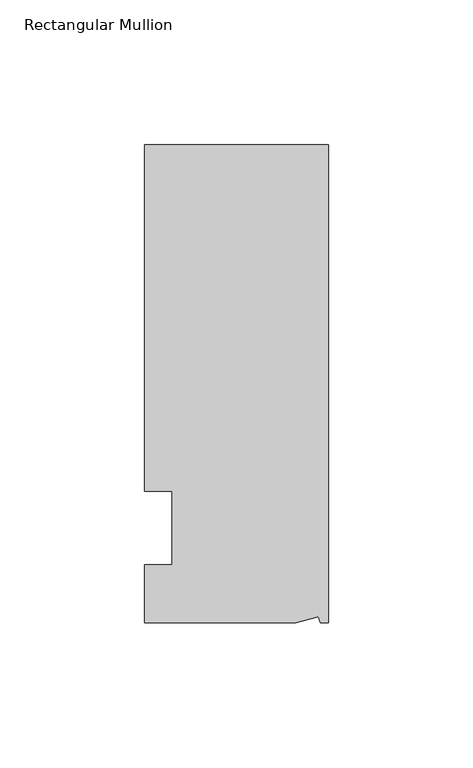
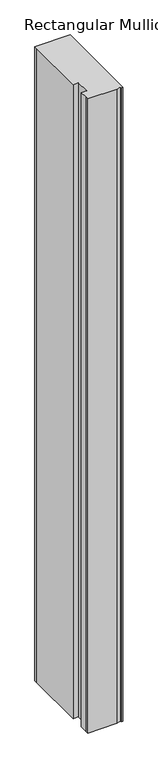
"""IFC4 building model written with IfcOpenShell, lengths in millimetres: member geometry, Rectangular Mullion."""

from ifc_helpers import new_model, si_unit, frame, origin, place, context, project, spatial, polyline, outline, extrude, source, transform, mapped, element, save


def rectangular_mullion_807eaed2(model_context):
    return source(origin(), model_context, "Body", "SweptSolid", [
        extrude(outline(polyline([(0.0, 132.5561012), (0.0, -32.5438988), (-2.7616541, -32.5438988), (-3.3341886, -30.4622958), (-11.121847, -32.5438988), (-63.5, -32.5438988), (-63.5, -26.1938988), (-63.5, -12.5945801), (-53.975, -12.5945801), (-53.975, 12.8054199), (-63.5, 12.8054199), (-63.5, 126.2061012), (-63.5, 132.5561012), (0.0, 132.5561012)])), frame((0.0, 0.0, -1210.7333333), z_axis=(0.0, 0.0, 1.0), x_axis=(1.0, 0.0, 0.0)), (0.0, 0.0, 1.0), 1210.7333333),
    ])


if __name__ == "__main__":
    model = new_model("IFC4")
    model_context = context("Model", 3, world=origin())
    ifc_project = project(units=[si_unit("LENGTHUNIT", "METRE", prefix="MILLI")], contexts=[model_context])
    site = spatial("IfcSite", under=ifc_project)
    building = spatial("IfcBuilding", under=site)
    placement = place(None, origin())
    rectangular_mullion_shape = rectangular_mullion_807eaed2(model_context)
    element("IfcMember", 1, ObjectType="Rectangular Mullion", at=placement, inside=building, context=model_context, shape_type="MappedRepresentation", body=[
        mapped(rectangular_mullion_shape, transform((0.0, 0.0, 0.0), x_axis=(1.0, 0.0, 0.0), y_axis=(0.0, 1.0, 0.0), z_axis=(0.0, 0.0, 1.0))),
    ])
    save(model, "model.ifc")
